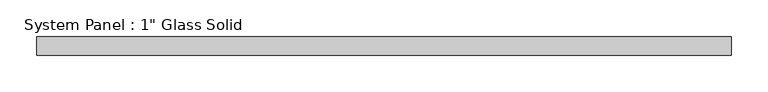
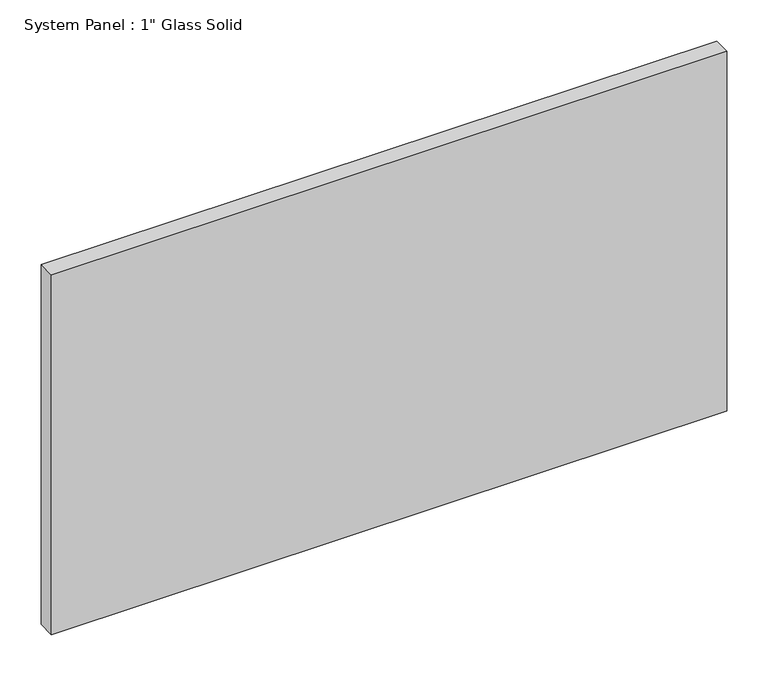
"""IFC4 building model written with IfcOpenShell, lengths in millimetres: plate geometry."""

from ifc_helpers import new_model, si_unit, origin, origin_with_axes, place, context, project, spatial, polyline, outline, extrude, source, transform, mapped, element, save


def plate_79e6abb2(model_context):
    return source(origin(), model_context, "Body", "SweptSolid", [
        extrude(outline(polyline([(475.2422013, -12.7), (-475.2422013, -12.7), (-475.2422013, 12.7), (475.2422013, 12.7), (475.2422013, -12.7)])), origin_with_axes(), (0.0, 0.0, 1.0), 535.4191382),
    ])


if __name__ == "__main__":
    model = new_model("IFC4")
    model_context = context("Model", 3, world=origin())
    ifc_project = project(units=[si_unit("LENGTHUNIT", "METRE", prefix="MILLI")], contexts=[model_context])
    site = spatial("IfcSite", under=ifc_project)
    building = spatial("IfcBuilding", under=site)
    placement = place(None, origin())
    plate_shape = plate_79e6abb2(model_context)
    element("IfcPlate", 1, ObjectType="System Panel : 1\" Glass Solid", at=placement, inside=building, context=model_context, shape_type="MappedRepresentation", body=[
        mapped(plate_shape, transform((0.0, 0.0, 0.0), x_axis=(1.0, 0.0, 0.0), y_axis=(0.0, 1.0, 0.0), z_axis=(0.0, 0.0, 1.0))),
    ])
    save(model, "model.ifc")
